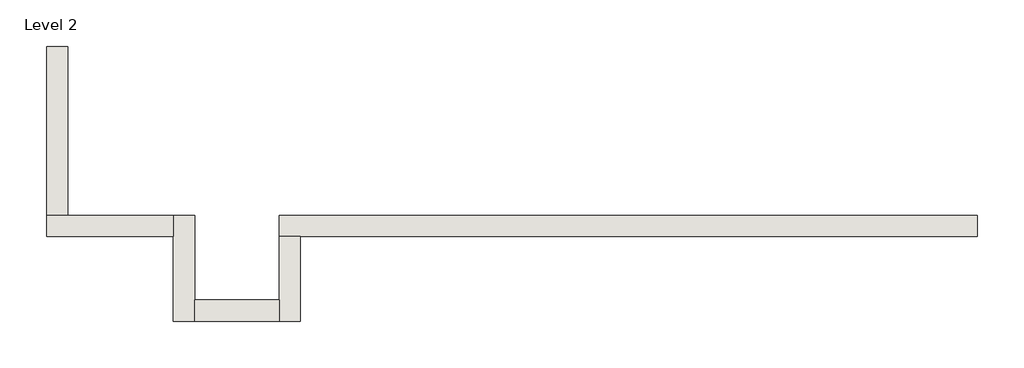
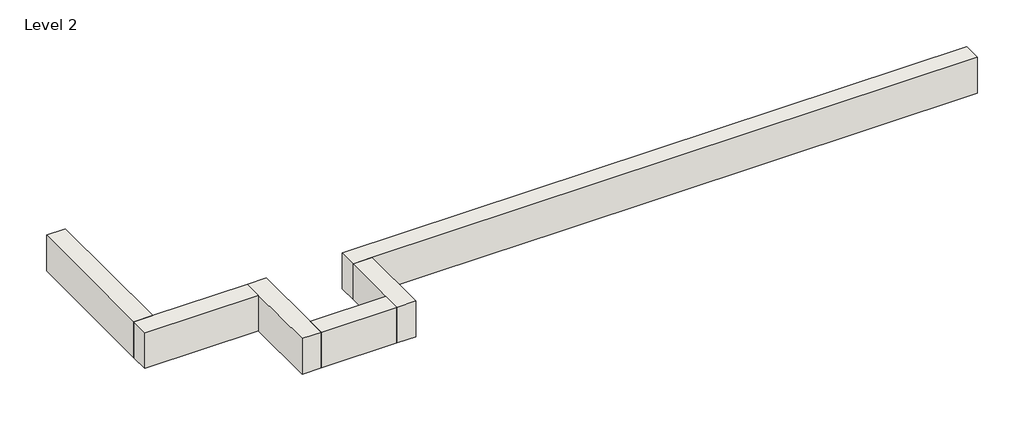
# One storey: 6 walls.
"""IFC4 building model written with IfcOpenShell, lengths in millimetres."""

from ifc_helpers import new_model, si_unit, frame, origin, place, context, project, spatial, polyline, outline, extrude, faceted_brep, element, save

model = new_model("IFC4")

# Units and contexts
model_context = context("Model", 3, world=origin())
ifc_project = project(units=[si_unit("LENGTHUNIT", "METRE", prefix="MILLI")], contexts=[model_context])

# Site, building, storey
site = spatial("IfcSite", under=ifc_project)
building = spatial("IfcBuilding", under=site)
storey = spatial("IfcBuildingStorey", under=building, Name="Level 2", Elevation=3048.0)

# Walls
placement = place(None, origin())
element("IfcWall", 1, ObjectType="Generic - 12\" Brick", at=placement, inside=storey, context=model_context, shape_type="Brep", body=[
    faceted_brep([(11582.357857, 1523.9976187, 3048.0), (4876.757857, 1523.9976187, 3048.0), (3657.557857, 1523.9976187, 3048.0), (1523.9602383, 1523.9976187, 3048.0), (1523.9602383, 1523.9976187, 3657.6), (11582.357857, 1523.9976187, 3657.6), (11582.357857, 1219.1976187, 3048.0), (11582.357857, 1219.1976187, 3657.6), (1828.7602383, 1219.1976187, 3657.6), (1523.9602383, 1219.1976187, 3657.6), (1523.9602383, 1219.1976187, 3048.0), (1828.7602383, 1219.1976187, 3048.0), (3657.557857, 1219.1976187, 3048.0), (4876.757857, 1219.1976187, 3048.0), (11582.357857, 1219.4119355, 3048.0)], [[[0, 1, 2, 3, 4, 5]], [[6, 7, 8, 9, 10, 11, 12, 13]], [[3, 2, 1, 0, 14, 6, 13, 12, 11, 10]], [[5, 4, 9, 8, 7]], [[0, 5, 7, 6, 14]], [[4, 3, 10, 9]]]),
])
element("IfcWall", 2, ObjectType="Generic - 12\" Brick", at=placement, inside=storey, context=model_context, shape_type="Brep", body=[
    faceted_brep([(1523.9602383, 1219.1976187, 3048.0), (1523.9602383, 304.8, 3048.0), (1523.9602383, 0.0, 3048.0), (1523.9602383, 0.0, 3657.6), (1523.9602383, 304.8, 3657.6), (1523.9602383, 1219.1976187, 3657.6), (1828.7602383, 1219.1976187, 3048.0), (1828.7602383, 1219.1976187, 3657.6), (1828.7602383, 0.0, 3657.6), (1828.7602383, 0.0, 3048.0)], [[[0, 1, 2, 3, 4, 5]], [[6, 7, 8, 9]], [[2, 1, 0, 6, 9]], [[5, 4, 3, 8, 7]], [[0, 5, 7, 6]], [[3, 2, 9, 8]]]),
])
element("IfcWall", 3, ObjectType="Generic - 12\" Brick", at=placement, inside=storey, context=model_context, shape_type="SweptSolid", body=[
    extrude(outline(polyline([(304.757857, 304.8), (1523.9602383, 304.8), (1523.9602383, 0.0), (304.757857, 0.0), (304.757857, 304.8)])), frame((0.0, 0.0, 3048.0), z_axis=(0.0, 0.0, 1.0), x_axis=(1.0, 0.0, 0.0)), (0.0, 0.0, 1.0), 609.6),
])
element("IfcWall", 4, ObjectType="Generic - 12\" Brick", at=placement, inside=storey, context=model_context, shape_type="Brep", body=[
    faceted_brep([(304.757857, 0.0, 3048.0), (304.757857, 304.8, 3048.0), (304.757857, 1523.9976187, 3048.0), (304.757857, 1523.9976187, 3657.6), (304.757857, 304.8, 3657.6), (304.757857, 0.0, 3657.6), (-0.042143, 0.0, 3048.0), (-0.042143, 0.0, 3657.6), (-0.042143, 1219.1976187, 3657.6), (-0.042143, 1523.9976187, 3657.6), (-0.042143, 1523.9976187, 3048.0), (-0.042143, 1219.1976187, 3048.0)], [[[0, 1, 2, 3, 4, 5]], [[6, 7, 8, 9, 10, 11]], [[2, 1, 0, 6, 11, 10]], [[5, 4, 3, 9, 8, 7]], [[0, 5, 7, 6]], [[3, 2, 10, 9]]]),
])
element("IfcWall", 5, ObjectType="Generic - 12\" Brick", at=placement, inside=storey, context=model_context, shape_type="Brep", body=[
    faceted_brep([(-0.042143, 1523.9976187, 3048.0), (-1524.010393, 1523.9976187, 3048.0), (-1828.810393, 1523.9976187, 3048.0), (-1828.810393, 1523.9976187, 3657.6), (-1524.010393, 1523.9976187, 3657.6), (-0.042143, 1523.9976187, 3657.6), (-0.042143, 1219.1976187, 3048.0), (-0.042143, 1219.1976187, 3657.6), (-1828.810393, 1219.1976187, 3657.6), (-1828.810393, 1219.1976187, 3048.0)], [[[0, 1, 2, 3, 4, 5]], [[6, 7, 8, 9]], [[2, 1, 0, 6, 9]], [[5, 4, 3, 8, 7]], [[0, 5, 7, 6]], [[3, 2, 9, 8]]]),
])
element("IfcWall", 6, ObjectType="Generic - 12\" Brick", at=placement, inside=storey, context=model_context, shape_type="Brep", body=[
    faceted_brep([(-1524.010393, 1523.9976187, 3048.0), (-1524.010393, 3047.96825, 3048.0), (-1524.010393, 3962.36825, 3048.0), (-1524.010393, 3962.36825, 3657.6), (-1524.010393, 1523.9976187, 3657.6), (-1828.810393, 1523.9976187, 3048.0), (-1828.810393, 1523.9976187, 3657.6), (-1828.810393, 3962.36825, 3657.6), (-1828.810393, 3962.36825, 3048.0), (-1828.810393, 3047.96825, 3048.0)], [[[0, 1, 2, 3, 4]], [[5, 6, 7, 8, 9]], [[2, 1, 0, 5, 9, 8]], [[3, 2, 8, 7]], [[4, 3, 7, 6]], [[0, 4, 6, 5]]]),
])

save(model, "model.ifc")
